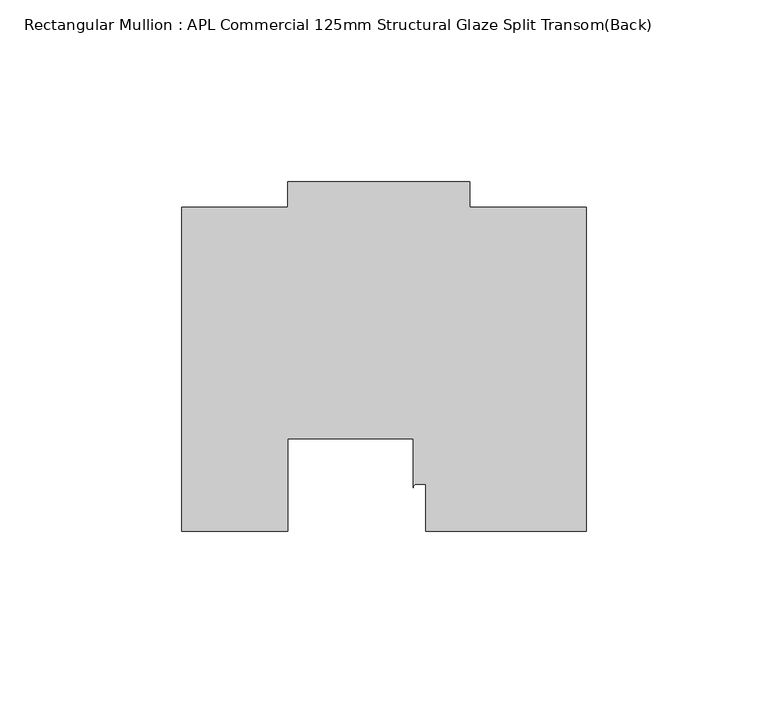
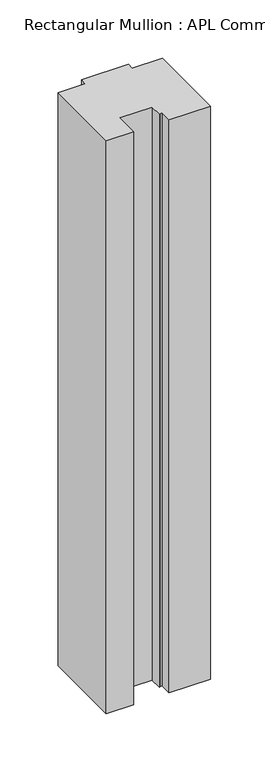
"""IFC4 building model written with IfcOpenShell, lengths in millimetres: member geometry, Rectangular Mullion : APL Commercial 125mm Structural Glaze Split Transom(Back)."""

import ifcopenshell
import ifcopenshell.guid

model = None  # the IFC model being written
_history = None  # IfcOwnerHistory: only IFC2X3 demands one
_inside = {}  # id of a spatial element -> (the spatial element, [elements in it])
_under = {}  # id of a project, library or spatial element -> (it, [spatial elements below it])
_declared = {}  # id of a project -> (the project, [libraries it declares])
_typed = {}  # id of a type object -> (the type object, [elements of that type])
_made_of = {}  # id of a material, layer set ... -> (it, [elements and type objects made of it])


def new_model(schema):
    """Start an empty IFC model of exactly this schema.

    Asked for "IFC4X3", IfcOpenShell would pick the latest addendum, in which some entities
    have other attributes; the version numbers below select the first issue.
    IFC2X3 requires an IfcOwnerHistory on every rooted entity: one is made here for all.
    """
    global model, _history
    if schema == "IFC4X3":
        model = ifcopenshell.file(schema_version=(4, 3, 0, 0))
    else:
        model = ifcopenshell.file(schema=schema)
    _inside.clear()
    _under.clear()
    _declared.clear()
    _typed.clear()
    _made_of.clear()
    _history = None
    if model.schema == "IFC2X3":
        org = make("IfcOrganization", Name="unknown")
        user = make(
            "IfcPersonAndOrganization",
            ThePerson=make("IfcPerson", FamilyName="unknown"),
            TheOrganization=org,
        )
        app = make(
            "IfcApplication",
            ApplicationDeveloper=org,
            Version="unknown",
            ApplicationFullName="unknown",
            ApplicationIdentifier="unknown",
        )
        _history = make(
            "IfcOwnerHistory",
            OwningUser=user,
            OwningApplication=app,
            ChangeAction="ADDED",
            CreationDate=0,
        )
    return model


def make(cls, **values):
    """One entity of the class cls with the attributes given. An attribute that is None is left unset."""
    return model.create_entity(
        cls, **{name: value for name, value in values.items() if value is not None}
    )


def rooted(cls, **values):
    """An entity with a GlobalId (a new one), such as an element, a storey or a relation."""
    return make(cls, GlobalId=ifcopenshell.guid.new(), OwnerHistory=_history, **values)


def si_unit(unit_type, name, prefix=None):
    """IfcSIUnit, for example si_unit("LENGTHUNIT", "METRE", prefix="MILLI")."""
    return make("IfcSIUnit", UnitType=unit_type, Prefix=prefix, Name=name)


def assignment(units):
    """IfcUnitAssignment: the units of a project."""
    return None if units is None else make("IfcUnitAssignment", Units=units)


def point(xyz):
    """IfcCartesianPoint."""
    return None if xyz is None else make("IfcCartesianPoint", Coordinates=xyz)


def direction(xyz):
    """IfcDirection."""
    return None if xyz is None else make("IfcDirection", DirectionRatios=xyz)


def frame(location, z_axis=None, x_axis=None):
    """IfcAxis2Placement3D, a coordinate frame: its origin and axes. An axis left out is left unset."""
    return make(
        "IfcAxis2Placement3D",
        Location=point(location),
        Axis=direction(z_axis),
        RefDirection=direction(x_axis),
    )


def frame_2d(location, x_axis=None):
    """IfcAxis2Placement2D, a coordinate frame in the plane: its origin and x axis."""
    return make(
        "IfcAxis2Placement2D", Location=point(location), RefDirection=direction(x_axis)
    )


def origin():
    """The frame at (0, 0, 0) with its axes left unset."""
    return frame((0.0, 0.0, 0.0))


def place(relative_to, where):
    """IfcLocalPlacement: puts the frame where relative to a parent placement (None: the world)."""
    return make(
        "IfcLocalPlacement", PlacementRelTo=relative_to, RelativePlacement=where
    )


def context(
    kind, dimensions, precision=None, world=None, true_north=None, identifier=None
):
    """IfcGeometricRepresentationContext, for example the 3D "Model" context."""
    return make(
        "IfcGeometricRepresentationContext",
        ContextIdentifier=identifier,
        ContextType=kind,
        CoordinateSpaceDimension=dimensions,
        Precision=precision,
        WorldCoordinateSystem=world,
        TrueNorth=true_north,
    )


def project(units=None, contexts=None):
    """IfcProject with its units and contexts."""
    return rooted(
        "IfcProject",
        Name="project",
        RepresentationContexts=contexts,
        UnitsInContext=assignment(units),
    )


def spatial(cls, under=None, at=None, **own):
    """A site, building, storey or space (cls), placed at a placement, below another one or the project."""
    s = rooted(cls, ObjectPlacement=at, **own)
    if under is not None:
        _under.setdefault(under.id(), (under, []))[1].append(s)
    return s


def polyline(points):
    """IfcPolyline through the points."""
    return make("IfcPolyline", Points=[point(p) for p in points])


def circle_curve(where, radius):
    """IfcCircle in the frame where."""
    return make("IfcCircle", Position=where, Radius=radius)


def trimmed(basis, trim1, trim2, sense, master):
    """IfcTrimmedCurve: the piece of a basis curve between two trims."""
    return make(
        "IfcTrimmedCurve",
        BasisCurve=basis,
        Trim1=trim1,
        Trim2=trim2,
        SenseAgreement=sense,
        MasterRepresentation=master,
    )


def segment(curve, same_sense, transition):
    """IfcCompositeCurveSegment."""
    return make(
        "IfcCompositeCurveSegment",
        Transition=transition,
        SameSense=same_sense,
        ParentCurve=curve,
    )


def composite_curve(segments, self_intersect=None):
    """IfcCompositeCurve: segments joined end to end."""
    return make("IfcCompositeCurve", Segments=segments, SelfIntersect=self_intersect)


def outline(outer, holes=None, kind="AREA"):
    """IfcArbitraryClosedProfileDef: a profile drawn as a closed curve; with holes, ...WithVoids."""
    if holes is None:
        return make("IfcArbitraryClosedProfileDef", ProfileType=kind, OuterCurve=outer)
    return make(
        "IfcArbitraryProfileDefWithVoids",
        ProfileType=kind,
        OuterCurve=outer,
        InnerCurves=holes,
    )


def extrude(swept, where, along, depth):
    """IfcExtrudedAreaSolid: the profile swept, set in the frame where, extruded along a direction by depth."""
    return make(
        "IfcExtrudedAreaSolid",
        SweptArea=swept,
        Position=where,
        ExtrudedDirection=direction(along),
        Depth=depth,
    )


def shape(context_of_items, identifier, shape_type, items):
    """IfcShapeRepresentation: the items that make up one representation, for example the "Body"."""
    return make(
        "IfcShapeRepresentation",
        ContextOfItems=context_of_items,
        RepresentationIdentifier=identifier,
        RepresentationType=shape_type,
        Items=items,
    )


def source(mapping_origin, context_of_items, identifier, shape_type, items):
    """IfcRepresentationMap: a shape defined once, which mapped items show again and again."""
    return make(
        "IfcRepresentationMap",
        MappingOrigin=mapping_origin,
        MappedRepresentation=shape(context_of_items, identifier, shape_type, items),
    )


def transform(
    local_origin,
    x_axis=None,
    y_axis=None,
    z_axis=None,
    scale=None,
    scale2=None,
    scale3=None,
    uniform=True,
):
    """IfcCartesianTransformationOperator3D, or its non-uniform kind. x_axis, y_axis, z_axis: its Axis1, 2, 3."""
    if uniform:
        return make(
            "IfcCartesianTransformationOperator3D",
            Axis1=direction(x_axis),
            Axis2=direction(y_axis),
            LocalOrigin=point(local_origin),
            Scale=scale,
            Axis3=direction(z_axis),
        )
    return make(
        "IfcCartesianTransformationOperator3DnonUniform",
        Axis1=direction(x_axis),
        Axis2=direction(y_axis),
        LocalOrigin=point(local_origin),
        Scale=scale,
        Axis3=direction(z_axis),
        Scale2=scale2,
        Scale3=scale3,
    )


def mapped(mapping_source, mapping_target):
    """IfcMappedItem: shows the shape of a source again, moved by a transform."""
    return make(
        "IfcMappedItem", MappingSource=mapping_source, MappingTarget=mapping_target
    )


def made_of(thing, what):
    """Note that an element or type object is made of a material, layer set ...; save() writes the relation."""
    if what is not None:
        _made_of.setdefault(what.id(), (what, []))[1].append(thing)
    return thing


def element(
    cls,
    number,
    at=None,
    inside=None,
    cuts=None,
    type_object=None,
    material=None,
    context=None,
    identifier="Body",
    shape_type=None,
    held_by="IfcProductDefinitionShape",
    body=None,
    shapes=None,
    **own,
):
    """One element of the class cls, such as IfcWall. Its Tag is "e" and its number.

    at: its placement. inside: the storey or other place that contains it. cuts: it is an
    opening in that element (IfcRelVoidsElement). A single representation is given by context,
    identifier, shape_type and body (its items); several are given by shapes. held_by: the class
    of the entity that holds the representations. save() writes the other relations.
    """
    e = rooted(cls, Tag="e%d" % number, ObjectPlacement=at, **own)
    if body is not None:
        shapes = [shape(context, identifier, shape_type, body)]
    if shapes is not None:
        e.Representation = make(held_by, Representations=shapes)
    if inside is not None:
        _inside.setdefault(inside.id(), (inside, []))[1].append(e)
    if cuts is not None:
        rooted(
            "IfcRelVoidsElement", RelatingBuildingElement=cuts, RelatedOpeningElement=e
        )
    if type_object is not None:
        _typed.setdefault(type_object.id(), (type_object, []))[1].append(e)
    return made_of(e, material)


def aggregate(whole, parts):
    """IfcRelAggregates: a whole, such as a stair, and the parts it consists of."""
    return rooted("IfcRelAggregates", RelatingObject=whole, RelatedObjects=parts)


def save(model, path):
    """Write the relations noted so far, then the file.

    IfcRelAggregates (storeys below a building ...), IfcRelContainedInSpatialStructure (elements
    in a storey), IfcRelDefinesByType, IfcRelAssociatesMaterial and IfcRelDeclares: one each for
    every whole, place, type object, material and project.
    """
    for whole, parts in _under.values():
        aggregate(whole, parts)
    for where, things in _inside.values():
        rooted(
            "IfcRelContainedInSpatialStructure",
            RelatedElements=things,
            RelatingStructure=where,
        )
    for kind, things in _typed.values():
        rooted("IfcRelDefinesByType", RelatedObjects=things, RelatingType=kind)
    for what, things in _made_of.values():
        rooted("IfcRelAssociatesMaterial", RelatedObjects=things, RelatingMaterial=what)
    for by, libraries in _declared.values():
        rooted("IfcRelDeclares", RelatingContext=by, RelatedDefinitions=libraries)
    model.write(path)


def rectangular_mullion_apl_commercial_125mm_structural_glaze_0e92aeb2(model_context):
    return source(origin(), model_context, "Body", "SweptSolid", [
        extrude(outline(composite_curve([segment(polyline([(54.0000029, 15.0004617), (10.0000029, 15.0004617), (10.0000029, 28.0002131), (7.5000029, 28.0002131)]), True, "CONTINUOUS"), segment(trimmed(circle_curve(frame_2d((7.5000029, 27.0002131)), 1.0), [point((7.5000029, 28.0002131))], [point((6.5000029, 27.0002131))], True, "CARTESIAN"), True, "CONTINUOUS"), segment(polyline([(6.5000029, 27.0002131), (6.5000029, 40.499932), (-28.0000482, 40.499932), (-28.0000482, 15.0001793), (-57.0000004, 15.0001793), (-57.0000004, 103.9999439), (-27.9971154, 103.9999439), (-27.9971154, 111.0), (22.0028846, 111.0), (22.0028846, 104.0), (54.0000029, 104.0), (54.0000029, 15.0004617)]), True, "CONTINUOUS")], self_intersect=False)), frame((0.0, 0.0, -644.0249631), z_axis=(0.0, 0.0, 1.0), x_axis=(1.0, 0.0, 0.0)), (0.0, 0.0, 1.0), 644.0249631),
    ])


if __name__ == "__main__":
    model = new_model("IFC4")
    model_context = context("Model", 3, world=origin())
    ifc_project = project(units=[si_unit("LENGTHUNIT", "METRE", prefix="MILLI")], contexts=[model_context])
    site = spatial("IfcSite", under=ifc_project)
    building = spatial("IfcBuilding", under=site)
    placement = place(None, origin())
    rectangular_mullion_apl_commercial_125mm_structural_glaze_shape = rectangular_mullion_apl_commercial_125mm_structural_glaze_0e92aeb2(model_context)
    element("IfcMember", 1, ObjectType="Rectangular Mullion : APL Commercial 125mm Structural Glaze Split Transom(Back)", at=placement, inside=building, context=model_context, shape_type="MappedRepresentation", body=[
        mapped(rectangular_mullion_apl_commercial_125mm_structural_glaze_shape, transform((0.0, 0.0, 0.0), x_axis=(1.0, 0.0, 0.0), y_axis=(0.0, 1.0, 0.0), z_axis=(0.0, 0.0, 1.0))),
    ])
    save(model, "model.ifc")
